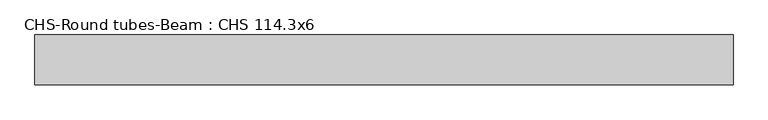
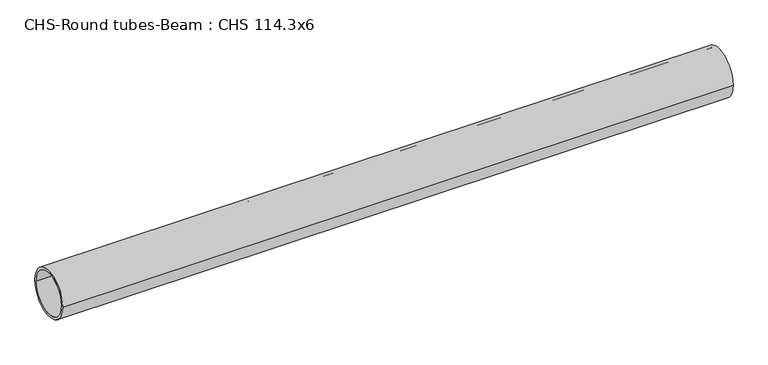
"""IFC4 building model written with IfcOpenShell, lengths in millimetres: beam geometry, CHS-Round tubes-Beam : CHS 114.3x6."""

from ifc_helpers import new_model, si_unit, point, frame, origin, origin_2d, place, context, project, spatial, circle_curve, trimmed, segment, composite_curve, outline, extrude, source, transform, mapped, element, save


def chs_round_tubes_beam_chs_114_3x6_01fee8a8(model_context):
    return source(origin(), model_context, "Body", "SweptSolid", [
        extrude(outline(composite_curve([segment(trimmed(circle_curve(origin_2d(), 57.15), [point((57.15, 0.0))], [point((-57.15, 0.0))], False, "CARTESIAN"), True, "CONTINUOUS"), segment(trimmed(circle_curve(origin_2d(), 57.15), [point((-57.15, 0.0))], [point((57.15, 0.0))], False, "CARTESIAN"), True, "CONTINUOUS")], self_intersect=False), holes=[composite_curve([segment(trimmed(circle_curve(origin_2d(), 51.15), [point((51.15, 0.0))], [point((-51.15, 0.0))], True, "CARTESIAN"), True, "CONTINUOUS"), segment(trimmed(circle_curve(origin_2d(), 51.15), [point((-51.15, 0.0))], [point((51.15, 0.0))], True, "CARTESIAN"), True, "CONTINUOUS")], self_intersect=False)]), frame((-790.1444884, 0.0, 0.0), z_axis=(1.0, 0.0, 0.0), x_axis=(0.0, 1.0, 0.0)), (0.0, 0.0, 1.0), 1594.5790158),
    ])


if __name__ == "__main__":
    model = new_model("IFC4")
    model_context = context("Model", 3, world=origin())
    ifc_project = project(units=[si_unit("LENGTHUNIT", "METRE", prefix="MILLI")], contexts=[model_context])
    site = spatial("IfcSite", under=ifc_project)
    building = spatial("IfcBuilding", under=site)
    placement = place(None, origin())
    chs_round_tubes_beam_chs_114_3x6_shape = chs_round_tubes_beam_chs_114_3x6_01fee8a8(model_context)
    element("IfcBeam", 1, ObjectType="CHS-Round tubes-Beam : CHS 114.3x6", at=placement, inside=building, context=model_context, shape_type="MappedRepresentation", body=[
        mapped(chs_round_tubes_beam_chs_114_3x6_shape, transform((0.0, 0.0, 0.0), x_axis=(1.0, 0.0, 0.0), y_axis=(0.0, 1.0, 0.0), z_axis=(0.0, 0.0, 1.0))),
    ])
    save(model, "model.ifc")
